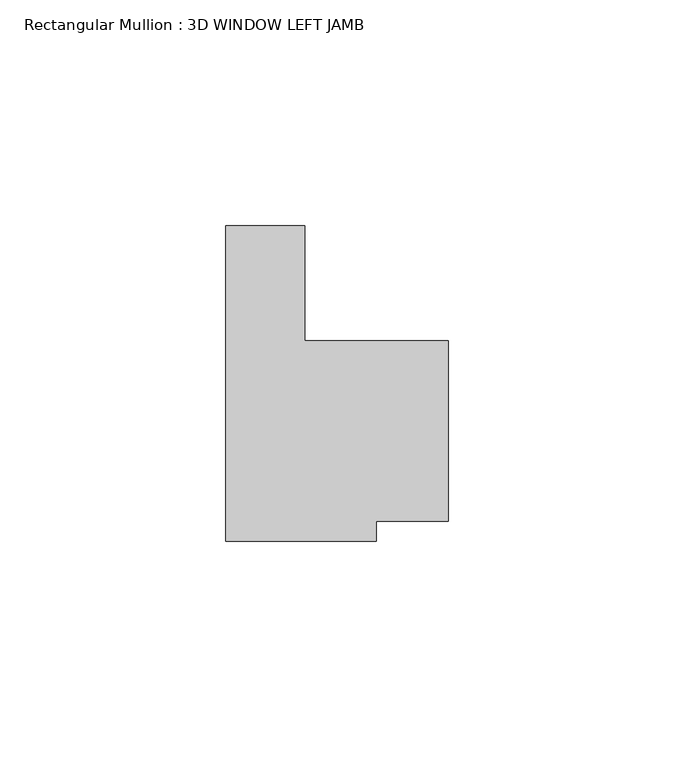
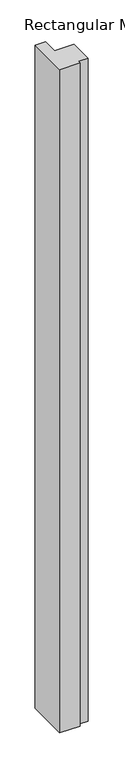
"""IFC4 building model written with IfcOpenShell, lengths in millimetres: member geometry, Rectangular Mullion : 3D WINDOW LEFT JAMB."""

from ifc_helpers import new_model, si_unit, frame, origin, place, context, project, spatial, polyline, outline, extrude, source, transform, mapped, element, save


def rectangular_mullion_3d_window_left_jamb_5adabed9(model_context):
    return source(origin(), model_context, "Body", "SweptSolid", [
        extrude(outline(polyline([(0.0, 18.3262954), (17.4752, 18.3262954), (17.4752, -7.0656822), (49.22337, -7.0656822), (49.22337, -47.0706822), (33.3492795, -47.0706822), (33.3492795, -51.5156822), (0.0, -51.5156822), (0.0, 18.3262954)])), frame((0.0, 0.0, -1149.35), z_axis=(0.0, 0.0, 1.0), x_axis=(1.0, 0.0, 0.0)), (0.0, 0.0, 1.0), 1149.35),
    ])


if __name__ == "__main__":
    model = new_model("IFC4")
    model_context = context("Model", 3, world=origin())
    ifc_project = project(units=[si_unit("LENGTHUNIT", "METRE", prefix="MILLI")], contexts=[model_context])
    site = spatial("IfcSite", under=ifc_project)
    building = spatial("IfcBuilding", under=site)
    placement = place(None, origin())
    rectangular_mullion_3d_window_left_jamb_shape = rectangular_mullion_3d_window_left_jamb_5adabed9(model_context)
    element("IfcMember", 1, ObjectType="Rectangular Mullion : 3D WINDOW LEFT JAMB", at=placement, inside=building, context=model_context, shape_type="MappedRepresentation", body=[
        mapped(rectangular_mullion_3d_window_left_jamb_shape, transform((0.0, 0.0, 0.0), x_axis=(1.0, 0.0, 0.0), y_axis=(0.0, 1.0, 0.0), z_axis=(0.0, 0.0, 1.0))),
    ])
    save(model, "model.ifc")
